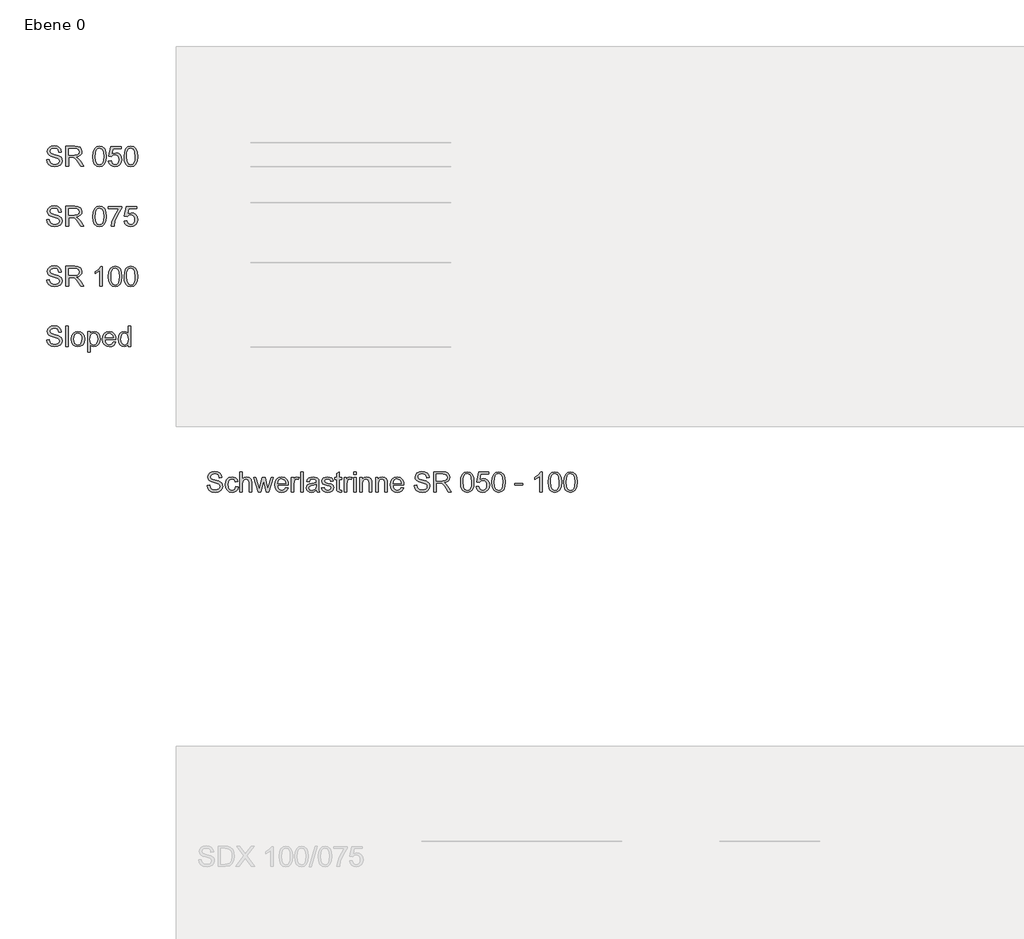
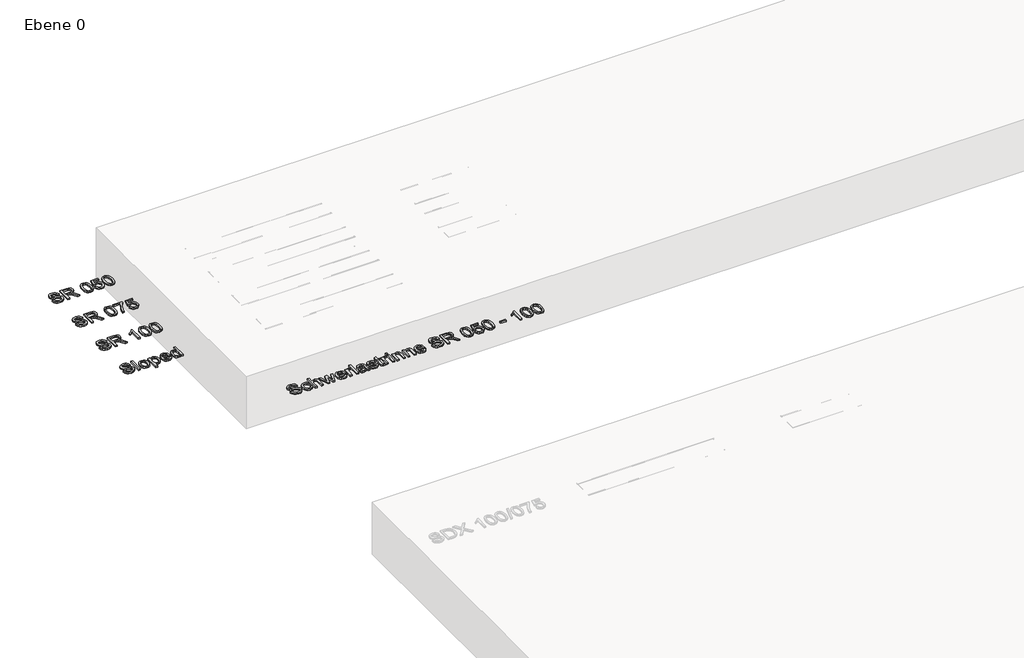
# One storey, part 4 of 8: 5 proxies.
"""IFC4 building model written with IfcOpenShell, lengths in millimetres."""

from ifc_helpers import new_model, si_unit, origin, origin_with_axes, place, context, project, spatial, polyline, outline, extrude, element, save

model = new_model("IFC4")

# Units and contexts
model_context = context("Model", 3, world=origin())
ifc_project = project(units=[si_unit("LENGTHUNIT", "METRE", prefix="MILLI")], contexts=[model_context])

# Site, building, storey
site = spatial("IfcSite", under=ifc_project)
building = spatial("IfcBuilding", under=site)
storey = spatial("IfcBuildingStorey", under=building, Name="Ebene 0", Elevation=0.0)

# Proxies
placement = place(None, origin())
element("IfcBuildingElementProxy", 1, Name="100mm ACO", ObjectType="100mm ACO", at=placement, inside=storey, context=model_context, shape_type="SweptSolid", body=[
    extrude(outline(polyline([(1664.0184353, 5993.0638776), (1661.9956859, 6002.009814), (1657.4990705, 6008.4163996), (1650.5285889, 6012.2690822), (1641.0842413, 6013.5533098), (1625.3679155, 6009.5514675), (1620.8276435, 6004.6364777), (1619.3142196, 5997.8951926), (1623.810835, 5987.7814458), (1642.102892, 5981.451259), (1662.0538945, 5975.9359928), (1675.2818021, 5966.9573141), (1679.4073377, 5959.8340349), (1680.7825162, 5950.6297978), (1678.2613556, 5938.7224982), (1670.6978738, 5929.0198498), (1659.0816172, 5922.5696078), (1644.4021323, 5920.4195271), (1626.3138054, 5922.8060802), (1613.4351495, 5929.9657398), (1605.5769866, 5940.9235114), (1602.5501387, 5954.7044008), (1615.5888683, 5955.8103645), (1618.2337222, 5944.8707831), (1624.4802341, 5937.3727859), (1633.3679619, 5933.0398822), (1643.9364634, 5931.595581), (1661.1662132, 5936.3541352), (1666.0993932, 5941.9603524), (1667.7437866, 5949.2618954), (1666.0448227, 5956.6325612), (1660.9479309, 5961.6894345), (1637.5335158, 5969.1837936), (1623.239663, 5973.5494397), (1613.5952232, 5979.457614), (1608.1054233, 5987.130237), (1606.27549, 5996.7892289), (1608.5710922, 6007.8488656), (1615.4578989, 6016.8129922), (1626.3028913, 6022.7502708), (1640.4730508, 6024.7293637), (1655.1197934, 6022.7357187), (1666.5796143, 6016.7547835), (1674.132182, 6007.1067057), (1677.0571649, 5994.1116326), (1664.0184353, 5993.0638776)])), origin_with_axes(), (0.0, 0.0, 1.0), 10.0),
    extrude(outline(polyline([(1759.0148936, 5946.8753422), (1754.9621189, 5935.0007849), (1747.7515268, 5926.7933703), (1738.3726638, 5922.0129879), (1727.8150764, 5920.4195271), (1713.4157205, 5923.0243626), (1702.6980594, 5930.838869), (1696.0404492, 5942.9535368), (1693.8212457, 5958.4588564), (1698.8853952, 5981.2766332), (1711.5603209, 5993.3112642), (1727.5531377, 5996.7892289), (1738.1652956, 5995.3667559), (1747.1257842, 5991.0993368), (1753.6997195, 5984.0742847), (1757.152218, 5974.3789124), (1744.1134884, 5972.5744454), (1738.1762098, 5983.7359471), (1727.6986592, 5987.4758506), (1718.6908762, 5985.5804326), (1712.1569592, 5979.8941786), (1708.1842213, 5970.8099968), (1706.8599753, 5958.7207952), (1708.1878593, 5946.4205874), (1712.1715114, 5937.285473), (1718.6581338, 5931.6210473), (1727.494929, 5929.7329053), (1740.1698548, 5934.3895945), (1745.9761641, 5948.3596619), (1759.0148936, 5946.8753422)])), origin_with_axes(), (0.0, 0.0, 1.0), 10.0),
    extrude(outline(polyline([(1826.0712172, 5922.2822027), (1813.0324876, 5922.2822027), (1813.0324876, 5969.2565544), (1809.3216884, 5982.9210266), (1798.2474996, 5987.4758506), (1785.2378743, 5982.106106), (1780.937713, 5974.6299371), (1779.5043258, 5962.9409197), (1779.5043258, 5922.2822027), (1766.4655962, 5922.2822027), (1766.4655962, 6022.866688), (1779.5043258, 6022.866688), (1779.5043258, 5986.8355559), (1789.2615448, 5994.3008106), (1801.1870346, 5996.7892289), (1814.5459116, 5993.9079025), (1823.495486, 5985.045641), (1826.0712172, 5968.4416338), (1826.0712172, 5922.2822027)])), origin_with_axes(), (0.0, 0.0, 1.0), 10.0),
    extrude(outline(polyline([(1934.572074, 5994.9265532), (1910.211769, 5922.2822027), (1897.8715428, 5922.2822027), (1887.3066793, 5965.9386634), (1885.9969855, 5971.8322855), (1884.7455003, 5978.2788896), (1871.9105009, 5922.2822027), (1859.599379, 5922.2822027), (1834.9189265, 5994.9265532), (1846.5315451, 5994.9265532), (1864.2560681, 5937.3582338), (1866.3806825, 5947.1663853), (1877.4694235, 5994.9265532), (1892.1379943, 5994.9265532), (1900.927495, 5956.8290152), (1905.002098, 5938.9298664), (1922.9594555, 5994.9265532), (1934.572074, 5994.9265532)])), origin_with_axes(), (0.0, 0.0, 1.0), 10.0),
    extrude(outline(polyline([(2008.6134313, 5955.8103645), (1954.5958373, 5955.8103645), (1956.6804333, 5944.6197584), (1961.4207973, 5936.426896), (1968.2421193, 5931.406403), (1976.5695892, 5929.7329053), (1988.3131771, 5933.4437045), (1995.5747017, 5944.6343106), (2008.6134313, 5943.1208866), (2004.2114048, 5933.4437045), (1997.2336472, 5926.2985971), (1987.9348211, 5921.8892946), (1976.5695892, 5920.4195271), (1961.8973804, 5922.9406877), (1950.8268295, 5930.5041695), (1943.8745382, 5942.4332973), (1941.5571077, 5958.0513961), (1943.7908633, 5973.680409), (1950.49213, 5986.0497396), (1961.2534476, 5994.1043566), (1975.6673556, 5996.7892289), (1990.9762212, 5993.3112642), (2003.4765211, 5981.4658112), (2007.3292037, 5970.8682054), (2008.6134313, 5955.8103645)]), holes=[polyline([(1995.5747017, 5965.1237428), (1993.4791916, 5975.3393546), (1988.7060852, 5982.2370753), (1975.3472083, 5987.4758506), (1967.4453889, 5985.9187702), (1961.0860978, 5981.2475289), (1954.5958373, 5965.1237428), (1995.5747017, 5965.1237428)])]), origin_with_axes(), (0.0, 0.0, 1.0), 10.0),
    extrude(outline(polyline([(2062.6310252, 5993.9370068), (2058.5564223, 5985.613175), (2049.999756, 5987.4758506), (2044.1716185, 5985.8387333), (2039.95877, 5980.9273815), (2036.5535661, 5962.591668), (2036.5535661, 5922.2822027), (2023.5148365, 5922.2822027), (2023.5148365, 5994.9265532), (2034.6908904, 5994.9265532), (2034.6908904, 5984.1579596), (2041.661372, 5993.6314116), (2050.1452775, 5996.7892289), (2062.6310252, 5993.9370068)])), origin_with_axes(), (0.0, 0.0, 1.0), 10.0),
    extrude(outline(polyline([(2083.1204574, 5922.2822027), (2070.0817279, 5922.2822027), (2070.0817279, 6022.866688), (2083.1204574, 6022.866688), (2083.1204574, 5922.2822027)])), origin_with_axes(), (0.0, 0.0, 1.0), 10.0),
    extrude(outline(polyline([(2165.0781862, 5922.2822027), (2152.0394566, 5922.2822027), (2148.3141053, 5931.0717035), (2135.7483207, 5923.0825712), (2122.2075419, 5920.4195271), (2112.1629179, 5921.8747424), (2104.497571, 5926.2403885), (2099.6407898, 5932.9925877), (2098.0218627, 5941.6074626), (2099.6080474, 5949.9640368), (2104.3666016, 5956.6980459), (2113.0469612, 5961.6203118), (2126.3985621, 5964.5416566), (2137.8074505, 5966.287915), (2148.3141053, 5968.8490941), (2147.9794058, 5976.9255393), (2146.0294172, 5981.829615), (2140.8342984, 5985.9187702), (2131.2007728, 5987.4758506), (2119.0497245, 5984.3180333), (2112.9232679, 5972.5744454), (2099.8845383, 5974.1751823), (2103.4607301, 5984.0415424), (2110.1729109, 5991.113889), (2120.0138047, 5995.3703939), (2132.9761355, 5996.7892289), (2152.3450519, 5992.9038039), (2159.941276, 5983.532217), (2161.3528349, 5969.4020759), (2161.3528349, 5952.7835166), (2161.9058167, 5932.4105016), (2165.0781862, 5922.2822027)]), holes=[polyline([(2148.3141053, 5954.8790267), (2148.3141053, 5959.5357158), (2124.8996903, 5954.1805233), (2114.5203668, 5950.0986442), (2111.0605922, 5941.8111928), (2114.7859436, 5933.1381093), (2125.5254329, 5929.7329053), (2141.4309367, 5935.4373495), (2146.5933132, 5943.1499909), (2148.3141053, 5954.8790267)])]), origin_with_axes(), (0.0, 0.0, 1.0), 10.0),
    extrude(outline(polyline([(2220.9584558, 5974.437121), (2216.141693, 5984.2161682), (2205.0092956, 5987.4758506), (2193.6295115, 5984.6818371), (2189.2929697, 5976.5617355), (2192.159744, 5969.3729716), (2205.6786946, 5965.4729944), (2223.5050827, 5961.2819742), (2232.6001787, 5954.9226831), (2235.8598611, 5943.5283469), (2233.8371117, 5934.5460301), (2227.7688637, 5927.0989655), (2218.31724, 5922.0893867), (2206.1443635, 5920.4195271), (2193.5967691, 5921.8238099), (2184.1269552, 5926.0366583), (2177.7276457, 5933.0507963), (2174.3915645, 5942.8589478), (2187.4302941, 5944.6343106), (2193.0619775, 5933.4437045), (2206.1443635, 5929.7329053), (2218.513694, 5933.589226), (2222.8211315, 5942.9753651), (2220.8856951, 5948.9854045), (2216.0543801, 5952.3760563), (2202.3899079, 5955.286487), (2189.1365341, 5958.5316172), (2181.3329417, 5963.1446499), (2176.2542401, 5975.8050235), (2178.135106, 5984.1397694), (2183.7777035, 5990.8665024), (2192.5999466, 5995.3085473), (2204.0197491, 5996.7892289), (2216.0216377, 5995.4940872), (2225.0185067, 5991.6086622), (2231.0103559, 5985.14023), (2233.9971854, 5976.0960665), (2220.9584558, 5974.437121)])), origin_with_axes(), (0.0, 0.0, 1.0), 10.0),
    extrude(outline(polyline([(2276.8387255, 5921.263552), (2267.699973, 5920.4195271), (2256.043698, 5923.3154056), (2251.5761869, 5930.6642432), (2250.7612663, 5943.062678), (2250.7612663, 5985.613175), (2241.447888, 5985.613175), (2241.447888, 5994.9265532), (2250.7612663, 5994.9265532), (2250.7612663, 6013.3786839), (2263.7999959, 6021.0040124), (2263.7999959, 5994.9265532), (2274.9760498, 5994.9265532), (2274.9760498, 5985.613175), (2263.7999959, 5985.613175), (2263.7999959, 5940.4432903), (2264.8477509, 5932.1776671), (2270.1738391, 5929.7329053), (2275.2379886, 5929.7329053), (2276.8387255, 5921.263552)])), origin_with_axes(), (0.0, 0.0, 1.0), 10.0),
    extrude(outline(polyline([(2327.1309681, 5993.9370068), (2323.0563651, 5985.613175), (2314.4996988, 5987.4758506), (2308.6715613, 5985.8387333), (2304.4587129, 5980.9273815), (2301.053509, 5962.591668), (2301.053509, 5922.2822027), (2288.0147794, 5922.2822027), (2288.0147794, 5994.9265532), (2299.1908333, 5994.9265532), (2299.1908333, 5984.1579596), (2306.1613149, 5993.6314116), (2314.6452204, 5996.7892289), (2327.1309681, 5993.9370068)])), origin_with_axes(), (0.0, 0.0, 1.0), 10.0),
    extrude(outline(polyline([(2347.6204003, 6009.8279585), (2334.5816707, 6009.8279585), (2334.5816707, 6022.866688), (2347.6204003, 6022.866688), (2347.6204003, 6009.8279585)])), origin_with_axes(), (0.0, 0.0, 1.0), 10.0),
    extrude(outline(polyline([(2347.6204003, 5922.2822027), (2334.5816707, 5922.2822027), (2334.5816707, 5994.9265532), (2347.6204003, 5994.9265532), (2347.6204003, 5922.2822027)])), origin_with_axes(), (0.0, 0.0, 1.0), 10.0),
    extrude(outline(polyline([(2425.8527778, 5922.2822027), (2412.8140482, 5922.2822027), (2412.8140482, 5967.5102959), (2408.9286232, 5983.1975175), (2398.1163731, 5987.4758506), (2388.0317307, 5984.7400457), (2381.2795315, 5977.0274044), (2379.2858864, 5962.9409197), (2379.2858864, 5922.2822027), (2366.2471569, 5922.2822027), (2366.2471569, 5994.9265532), (2377.4232108, 5994.9265532), (2377.4232108, 5984.8273587), (2387.3768838, 5993.8060374), (2400.7066565, 5996.7892289), (2412.1446491, 5994.7228231), (2420.9923585, 5988.5381578), (2425.023305, 5979.7486571), (2425.8527778, 5967.13194), (2425.8527778, 5922.2822027)])), origin_with_axes(), (0.0, 0.0, 1.0), 10.0),
    extrude(outline(polyline([(2504.0851553, 5922.2822027), (2491.0464257, 5922.2822027), (2491.0464257, 5967.5102959), (2487.1610007, 5983.1975175), (2476.3487506, 5987.4758506), (2466.2641082, 5984.7400457), (2459.5119089, 5977.0274044), (2457.5182639, 5962.9409197), (2457.5182639, 5922.2822027), (2444.4795343, 5922.2822027), (2444.4795343, 5994.9265532), (2455.6555883, 5994.9265532), (2455.6555883, 5984.8273587), (2465.6092613, 5993.8060374), (2478.9390339, 5996.7892289), (2490.3770266, 5994.7228231), (2499.224736, 5988.5381578), (2503.2556825, 5979.7486571), (2504.0851553, 5967.13194), (2504.0851553, 5922.2822027)])), origin_with_axes(), (0.0, 0.0, 1.0), 10.0),
    extrude(outline(polyline([(2586.042884, 5955.8103645), (2532.0252901, 5955.8103645), (2534.1098861, 5944.6197584), (2538.8502501, 5936.426896), (2545.6715721, 5931.406403), (2553.9990419, 5929.7329053), (2565.7426298, 5933.4437045), (2573.0041545, 5944.6343106), (2586.042884, 5943.1208866), (2581.6408576, 5933.4437045), (2574.6631, 5926.2985971), (2565.3642738, 5921.8892946), (2553.9990419, 5920.4195271), (2539.3268331, 5922.9406877), (2528.2562823, 5930.5041695), (2521.3039909, 5942.4332973), (2518.9865605, 5958.0513961), (2521.2203161, 5973.680409), (2527.9215828, 5986.0497396), (2538.6829003, 5994.1043566), (2553.0968084, 5996.7892289), (2568.4056739, 5993.3112642), (2580.9059738, 5981.4658112), (2584.7586565, 5970.8682054), (2586.042884, 5955.8103645)]), holes=[polyline([(2573.0041545, 5965.1237428), (2570.9086443, 5975.3393546), (2566.135538, 5982.2370753), (2552.776661, 5987.4758506), (2544.8748416, 5985.9187702), (2538.5155505, 5981.2475289), (2532.0252901, 5965.1237428), (2573.0041545, 5965.1237428)])]), origin_with_axes(), (0.0, 0.0, 1.0), 10.0),
    extrude(outline(polyline([(2699.6660989, 5993.0638776), (2697.6433496, 6002.009814), (2693.1467341, 6008.4163996), (2686.1762526, 6012.2690822), (2676.7319049, 6013.5533098), (2661.0155791, 6009.5514675), (2656.4753072, 6004.6364777), (2654.9618832, 5997.8951926), (2659.4584987, 5987.7814458), (2677.7505557, 5981.451259), (2697.7015582, 5975.9359928), (2710.9294658, 5966.9573141), (2715.0550013, 5959.8340349), (2716.4301798, 5950.6297978), (2713.9090192, 5938.7224982), (2706.3455374, 5929.0198498), (2694.7292808, 5922.5696078), (2680.049796, 5920.4195271), (2661.9614691, 5922.8060802), (2649.0828132, 5929.9657398), (2641.2246503, 5940.9235114), (2638.1978023, 5954.7044008), (2651.2365319, 5955.8103645), (2653.8813858, 5944.8707831), (2660.1278977, 5937.3727859), (2669.0156255, 5933.0398822), (2679.584127, 5931.595581), (2696.8138768, 5936.3541352), (2701.7470569, 5941.9603524), (2703.3914502, 5949.2618954), (2701.6924863, 5956.6325612), (2696.5955945, 5961.6894345), (2673.1811795, 5969.1837936), (2658.8873267, 5973.5494397), (2649.2428869, 5979.457614), (2643.753087, 5987.130237), (2641.9231537, 5996.7892289), (2644.2187559, 6007.8488656), (2651.1055625, 6016.8129922), (2661.950555, 6022.7502708), (2676.1207145, 6024.7293637), (2690.767457, 6022.7357187), (2702.227278, 6016.7547835), (2709.7798456, 6007.1067057), (2712.7048285, 5994.1116326), (2699.6660989, 5993.0638776)])), origin_with_axes(), (0.0, 0.0, 1.0), 10.0),
    extrude(outline(polyline([(2823.068361, 5922.2822027), (2807.9923299, 5922.2822027), (2789.1181868, 5952.3178476), (2781.3036803, 5961.5002565), (2773.5328303, 5966.0405284), (2763.8993047, 5966.9864184), (2748.0956659, 5966.9864184), (2748.0956659, 5922.2822027), (2735.0569364, 5922.2822027), (2735.0569364, 6022.866688), (2779.4410047, 6022.866688), (2794.7062138, 6021.7170679), (2805.5039117, 6016.8857529), (2812.6490191, 6007.601479), (2815.1519895, 5995.7996824), (2813.3256942, 5985.6895738), (2807.8468084, 5977.7695642), (2798.9263383, 5972.1924513), (2786.7752901, 5969.1110328), (2796.4888526, 5961.5802934), (2805.6057768, 5949.8439815), (2823.068361, 5922.2822027)]), holes=[polyline([(2748.0956659, 5978.1624723), (2777.0253472, 5978.1624723), (2790.8935495, 5979.646792), (2799.0573077, 5985.423997), (2802.1132599, 5995.0720748), (2797.0345583, 6006.844767), (2790.3078253, 6010.4791673), (2780.2850296, 6011.6906341), (2748.0956659, 6011.6906341), (2748.0956659, 5978.1624723)])]), origin_with_axes(), (0.0, 0.0, 1.0), 10.0),
    extrude(outline(polyline([(2902.6686409, 6022.866688), (2917.3499448, 6019.6615762), (2927.8365905, 6010.0462408), (2934.1285779, 5994.0206817), (2936.225907, 5971.5848989), (2934.0576361, 5948.9817664), (2927.5528235, 5933.0362442), (2916.9952361, 5923.5737063), (2902.6686409, 5920.4195271), (2888.0128033, 5923.6173628), (2877.5443478, 5933.21087), (2871.2632745, 5949.2000487), (2869.1695835, 5971.5848989), (2871.3378543, 5994.1843934), (2877.842667, 6010.1772101), (2888.3857022, 6019.6943186), (2902.6686409, 6022.866688)]), holes=[polyline([(2902.6977452, 5929.7329053), (2911.589111, 5932.1813052), (2918.0066108, 5939.5265047), (2921.8920358, 5952.4379029), (2923.1871774, 5971.5848989), (2920.9170415, 5995.945204), (2914.0629771, 6009.1876637), (2902.5522237, 6013.5533098), (2893.6790481, 6011.0612535), (2887.3161189, 6003.5850846), (2883.4852645, 5990.6009256), (2882.208313, 5971.5848989), (2884.5221054, 5947.3846676), (2891.3761698, 5934.0985514), (2902.6977452, 5929.7329053)])]), origin_with_axes(), (0.0, 0.0, 1.0), 10.0),
    extrude(outline(polyline([(2964.9809624, 5984.7691501), (2983.7532405, 5989.3385263), (2995.3040124, 5987.1011327), (3005.2758756, 5980.3889518), (3012.1626822, 5969.9514197), (3014.4582845, 5956.5379722), (3012.0753693, 5942.6188373), (3004.9266239, 5930.9552862), (2993.9142817, 5923.0534669), (2979.9405763, 5920.4195271), (2968.1315037, 5922.2385463), (2958.025033, 5927.6956038), (2950.7416802, 5936.717939), (2947.4019609, 5949.2327911), (2960.4406905, 5950.2223375), (2967.2510984, 5934.8116069), (2980.0860978, 5929.7329053), (2988.7009727, 5931.6174092), (2995.5113806, 5937.2709209), (2999.9425113, 5945.6820656), (3001.4195549, 5955.8394688), (2999.9388733, 5965.8659026), (2995.4968284, 5973.5348875), (2988.726439, 5978.4025829), (2980.2607236, 5980.025148), (2969.8632099, 5977.660423), (2962.1869489, 5970.5662482), (2949.2646366, 5972.0796722), (2959.0145795, 6021.0040124), (3010.7329332, 6021.0040124), (3010.7329332, 6011.6906341), (2970.3652592, 6011.6906341), (2964.9809624, 5984.7691501)])), origin_with_axes(), (0.0, 0.0, 1.0), 10.0),
    extrude(outline(polyline([(3059.1333959, 6022.866688), (3073.8146998, 6019.6615762), (3084.3013454, 6010.0462408), (3090.5933328, 5994.0206817), (3092.6906619, 5971.5848989), (3090.5223911, 5948.9817664), (3084.0175784, 5933.0362442), (3073.459991, 5923.5737063), (3059.1333959, 5920.4195271), (3044.4775582, 5923.6173628), (3034.0091028, 5933.21087), (3027.7280295, 5949.2000487), (3025.6343384, 5971.5848989), (3027.8026093, 5994.1843934), (3034.3074219, 6010.1772101), (3044.8504572, 6019.6943186), (3059.1333959, 6022.866688)]), holes=[polyline([(3059.1625002, 5929.7329053), (3068.053866, 5932.1813052), (3074.4713657, 5939.5265047), (3078.3567907, 5952.4379029), (3079.6519324, 5971.5848989), (3077.3817964, 5995.945204), (3070.5277321, 6009.1876637), (3059.0169786, 6013.5533098), (3050.143803, 6011.0612535), (3043.7808739, 6003.5850846), (3039.9500194, 5990.6009256), (3038.673068, 5971.5848989), (3040.9868604, 5947.3846676), (3047.8409247, 5934.0985514), (3059.1625002, 5929.7329053)])]), origin_with_axes(), (0.0, 0.0, 1.0), 10.0),
    extrude(outline(polyline([(3180.2364177, 5955.8103645), (3141.1202289, 5955.8103645), (3141.1202289, 5965.1237428), (3180.2364177, 5965.1237428), (3180.2364177, 5955.8103645)])), origin_with_axes(), (0.0, 0.0, 1.0), 10.0),
    extrude(outline(polyline([(3277.0955517, 5922.2822027), (3264.0568221, 5922.2822027), (3264.0568221, 6000.5145802), (3239.8420386, 5985.613175), (3239.8420386, 5994.9265532), (3258.2214085, 6006.7137976), (3269.6448491, 6021.0040124), (3277.0955517, 6021.0040124), (3277.0955517, 5922.2822027)])), origin_with_axes(), (0.0, 0.0, 1.0), 10.0),
    extrude(outline(polyline([(3340.3974196, 6022.866688), (3355.0787235, 6019.6615762), (3365.5653692, 6010.0462408), (3371.8573566, 5994.0206817), (3373.9546857, 5971.5848989), (3371.7864148, 5948.9817664), (3365.2816022, 5933.0362442), (3354.7240148, 5923.5737063), (3340.3974196, 5920.4195271), (3325.741582, 5923.6173628), (3315.2731265, 5933.21087), (3308.9920532, 5949.2000487), (3306.8983622, 5971.5848989), (3309.066633, 5994.1843934), (3315.5714457, 6010.1772101), (3326.1144809, 6019.6943186), (3340.3974196, 6022.866688)]), holes=[polyline([(3340.4265239, 5929.7329053), (3349.3178897, 5932.1813052), (3355.7353895, 5939.5265047), (3359.6208145, 5952.4379029), (3360.9159561, 5971.5848989), (3358.6458202, 5995.945204), (3351.7917559, 6009.1876637), (3340.2810024, 6013.5533098), (3331.4078268, 6011.0612535), (3325.0448976, 6003.5850846), (3321.2140432, 5990.6009256), (3319.9370917, 5971.5848989), (3322.2508841, 5947.3846676), (3329.1049485, 5934.0985514), (3340.4265239, 5929.7329053)])]), origin_with_axes(), (0.0, 0.0, 1.0), 10.0),
    extrude(outline(polyline([(3418.6297971, 6022.866688), (3433.311101, 6019.6615762), (3443.7977467, 6010.0462408), (3450.089734, 5994.0206817), (3452.1870632, 5971.5848989), (3450.0187923, 5948.9817664), (3443.5139797, 5933.0362442), (3432.9563923, 5923.5737063), (3418.6297971, 5920.4195271), (3403.9739595, 5923.6173628), (3393.505504, 5933.21087), (3387.2244307, 5949.2000487), (3385.1307396, 5971.5848989), (3387.2990105, 5994.1843934), (3393.8038231, 6010.1772101), (3404.3468584, 6019.6943186), (3418.6297971, 6022.866688)]), holes=[polyline([(3418.6589014, 5929.7329053), (3427.5502672, 5932.1813052), (3433.9677669, 5939.5265047), (3437.8531919, 5952.4379029), (3439.1483336, 5971.5848989), (3436.8781976, 5995.945204), (3430.0241333, 6009.1876637), (3418.5133799, 6013.5533098), (3409.6402042, 6011.0612535), (3403.2772751, 6003.5850846), (3399.4464207, 5990.6009256), (3398.1694692, 5971.5848989), (3400.4832616, 5947.3846676), (3407.3373259, 5934.0985514), (3418.6589014, 5929.7329053)])]), origin_with_axes(), (0.0, 0.0, 1.0), 10.0),
])
element("IfcBuildingElementProxy", 2, Name="100mm ACO", ObjectType="100mm ACO", at=placement, inside=storey, context=model_context, shape_type="SweptSolid", body=[
    extrude(outline(polyline([(861.9850927, 7620.9181462), (859.9623434, 7629.8640826), (855.4657279, 7636.2706682), (848.4952464, 7640.1233508), (839.0508987, 7641.4075784), (823.3345729, 7637.4057362), (818.794301, 7632.4907463), (817.280877, 7625.7494612), (821.7774925, 7615.6357145), (840.0695495, 7609.3055277), (860.020552, 7603.7902615), (873.2484596, 7594.8115827), (877.3739951, 7587.6883036), (878.7491736, 7578.4840665), (876.228013, 7566.5767668), (868.6645312, 7556.8741184), (857.0482746, 7550.4238764), (842.3687898, 7548.2737957), (824.2804629, 7550.6603489), (811.401807, 7557.8200084), (803.5436441, 7568.77778), (800.5167961, 7582.5586695), (813.5555257, 7583.6646331), (816.2003796, 7572.7250517), (822.4468915, 7565.2270546), (831.3346193, 7560.8941509), (841.9031208, 7559.4498496), (859.1328706, 7564.2084038), (864.0660507, 7569.814621), (865.710444, 7577.116164), (864.0114801, 7584.4868298), (858.9145883, 7589.5437032), (835.5001733, 7597.0380622), (821.2063205, 7601.4037083), (811.5618807, 7607.3118826), (806.0720808, 7614.9845056), (804.2421475, 7624.6434975), (806.5377497, 7635.7031342), (813.4245563, 7644.6672608), (824.2695488, 7650.6045394), (838.4397083, 7652.5836323), (853.0864508, 7650.5899873), (864.5462718, 7644.6090522), (872.0988394, 7634.9609744), (875.0238223, 7621.9659013), (861.9850927, 7620.9181462)])), origin_with_axes(), (0.0, 0.0, 1.0), 10.0),
    extrude(outline(polyline([(985.3873548, 7550.1364713), (970.3113237, 7550.1364713), (951.4371806, 7580.1721163), (943.6226741, 7589.3545252), (935.8518241, 7593.8947971), (926.2182985, 7594.840687), (910.4146597, 7594.840687), (910.4146597, 7550.1364713), (897.3759302, 7550.1364713), (897.3759302, 7650.7209567), (941.7599985, 7650.7209567), (957.0252076, 7649.5713365), (967.8229055, 7644.7400216), (974.9680129, 7635.4557476), (977.4709833, 7623.6539511), (975.644688, 7613.5438424), (970.1658022, 7605.6238328), (961.2453321, 7600.04672), (949.0942839, 7596.9653015), (958.8078464, 7589.434562), (967.9247706, 7577.6982502), (985.3873548, 7550.1364713)]), holes=[polyline([(910.4146597, 7606.016741), (939.344341, 7606.016741), (953.2125433, 7607.5010606), (961.3763015, 7613.2782656), (964.4322537, 7622.9263434), (959.3535521, 7634.6990356), (952.6268191, 7638.333436), (942.6040234, 7639.5449027), (910.4146597, 7639.5449027), (910.4146597, 7606.016741)])]), origin_with_axes(), (0.0, 0.0, 1.0), 10.0),
    extrude(outline(polyline([(1064.9876347, 7650.7209567), (1079.6689386, 7647.5158448), (1090.1555843, 7637.9005094), (1096.4475717, 7621.8749503), (1098.5449008, 7599.4391676), (1096.3766299, 7576.8360351), (1089.8718173, 7560.8905128), (1079.3142299, 7551.427975), (1064.9876347, 7548.2737957), (1050.3317971, 7551.4716314), (1039.8633416, 7561.0651387), (1033.5822683, 7577.0543174), (1031.4885773, 7599.4391676), (1033.6568481, 7622.038662), (1040.1616608, 7638.0314788), (1050.704696, 7647.5485872), (1064.9876347, 7650.7209567)]), holes=[polyline([(1065.016739, 7557.587174), (1073.9081048, 7560.0355738), (1080.3256046, 7567.3807733), (1084.2110296, 7580.2921715), (1085.5061712, 7599.4391676), (1083.2360353, 7623.7994726), (1076.3819709, 7637.0419323), (1064.8712175, 7641.4075784), (1055.9980419, 7638.9155221), (1049.6351127, 7631.4393532), (1045.8042583, 7618.4551942), (1044.5273068, 7599.4391676), (1046.8410992, 7575.2389362), (1053.6951636, 7561.95282), (1065.016739, 7557.587174)])]), origin_with_axes(), (0.0, 0.0, 1.0), 10.0),
    extrude(outline(polyline([(1127.2999562, 7612.6234187), (1146.0722343, 7617.1927949), (1157.6230062, 7614.9554013), (1167.5948694, 7608.2432205), (1174.481676, 7597.8056883), (1176.7772783, 7584.3922408), (1174.3943631, 7570.4731059), (1167.2456177, 7558.8095549), (1156.2332755, 7550.9077355), (1142.2595701, 7548.2737957), (1130.4504975, 7550.0928149), (1120.3440268, 7555.5498725), (1113.060674, 7564.5722077), (1109.7209547, 7577.0870597), (1122.7596843, 7578.0766062), (1129.5700922, 7562.6658756), (1142.4050916, 7557.587174), (1151.0199665, 7559.4716778), (1157.8303744, 7565.1251895), (1162.2615051, 7573.5363343), (1163.7385487, 7583.6937374), (1162.2578671, 7593.7201712), (1157.8158222, 7601.3891561), (1151.0454328, 7606.2568515), (1142.5797174, 7607.8794166), (1132.1822037, 7605.5146917), (1124.5059427, 7598.4205168), (1111.5836304, 7599.9339408), (1121.3335733, 7648.858281), (1173.051927, 7648.858281), (1173.051927, 7639.5449027), (1132.684253, 7639.5449027), (1127.2999562, 7612.6234187)])), origin_with_axes(), (0.0, 0.0, 1.0), 10.0),
    extrude(outline(polyline([(1221.4523897, 7650.7209567), (1236.1336936, 7647.5158448), (1246.6203392, 7637.9005094), (1252.9123266, 7621.8749503), (1255.0096557, 7599.4391676), (1252.8413849, 7576.8360351), (1246.3365722, 7560.8905128), (1235.7789848, 7551.427975), (1221.4523897, 7548.2737957), (1206.796552, 7551.4716314), (1196.3280966, 7561.0651387), (1190.0470233, 7577.0543174), (1187.9533322, 7599.4391676), (1190.1216031, 7622.038662), (1196.6264157, 7638.0314788), (1207.169451, 7647.5485872), (1221.4523897, 7650.7209567)]), holes=[polyline([(1221.481494, 7557.587174), (1230.3728598, 7560.0355738), (1236.7903595, 7567.3807733), (1240.6757845, 7580.2921715), (1241.9709262, 7599.4391676), (1239.7007902, 7623.7994726), (1232.8467259, 7637.0419323), (1221.3359724, 7641.4075784), (1212.4627968, 7638.9155221), (1206.0998677, 7631.4393532), (1202.2690132, 7618.4551942), (1200.9920618, 7599.4391676), (1203.3058542, 7575.2389362), (1210.1599185, 7561.95282), (1221.481494, 7557.587174)])]), origin_with_axes(), (0.0, 0.0, 1.0), 10.0),
])
element("IfcBuildingElementProxy", 3, Name="100mm ACO", ObjectType="100mm ACO", at=placement, inside=storey, context=model_context, shape_type="SweptSolid", body=[
    extrude(outline(polyline([(861.9850927, 7320.9181462), (859.9623434, 7329.8640826), (855.4657279, 7336.2706682), (848.4952464, 7340.1233508), (839.0508987, 7341.4075784), (823.3345729, 7337.4057362), (818.794301, 7332.4907463), (817.280877, 7325.7494612), (821.7774925, 7315.6357145), (840.0695495, 7309.3055277), (860.020552, 7303.7902615), (873.2484596, 7294.8115827), (877.3739951, 7287.6883036), (878.7491736, 7278.4840665), (876.228013, 7266.5767668), (868.6645312, 7256.8741184), (857.0482746, 7250.4238764), (842.3687898, 7248.2737957), (824.2804629, 7250.6603489), (811.401807, 7257.8200084), (803.5436441, 7268.77778), (800.5167961, 7282.5586695), (813.5555257, 7283.6646331), (816.2003796, 7272.7250517), (822.4468915, 7265.2270546), (831.3346193, 7260.8941509), (841.9031208, 7259.4498496), (859.1328706, 7264.2084038), (864.0660507, 7269.814621), (865.710444, 7277.116164), (864.0114801, 7284.4868298), (858.9145883, 7289.5437032), (835.5001733, 7297.0380622), (821.2063205, 7301.4037083), (811.5618807, 7307.3118826), (806.0720808, 7314.9845056), (804.2421475, 7324.6434975), (806.5377497, 7335.7031342), (813.4245563, 7344.6672608), (824.2695488, 7350.6045394), (838.4397083, 7352.5836323), (853.0864508, 7350.5899873), (864.5462718, 7344.6090522), (872.0988394, 7334.9609744), (875.0238223, 7321.9659013), (861.9850927, 7320.9181462)])), origin_with_axes(), (0.0, 0.0, 1.0), 10.0),
    extrude(outline(polyline([(985.3873548, 7250.1364713), (970.3113237, 7250.1364713), (951.4371806, 7280.1721163), (943.6226741, 7289.3545252), (935.8518241, 7293.8947971), (926.2182985, 7294.840687), (910.4146597, 7294.840687), (910.4146597, 7250.1364713), (897.3759302, 7250.1364713), (897.3759302, 7350.7209567), (941.7599985, 7350.7209567), (957.0252076, 7349.5713365), (967.8229055, 7344.7400216), (974.9680129, 7335.4557476), (977.4709833, 7323.6539511), (975.644688, 7313.5438424), (970.1658022, 7305.6238328), (961.2453321, 7300.04672), (949.0942839, 7296.9653015), (958.8078464, 7289.434562), (967.9247706, 7277.6982502), (985.3873548, 7250.1364713)]), holes=[polyline([(910.4146597, 7306.016741), (939.344341, 7306.016741), (953.2125433, 7307.5010606), (961.3763015, 7313.2782656), (964.4322537, 7322.9263434), (959.3535521, 7334.6990356), (952.6268191, 7338.333436), (942.6040234, 7339.5449027), (910.4146597, 7339.5449027), (910.4146597, 7306.016741)])]), origin_with_axes(), (0.0, 0.0, 1.0), 10.0),
    extrude(outline(polyline([(1064.9876347, 7350.7209567), (1079.6689386, 7347.5158448), (1090.1555843, 7337.9005094), (1096.4475717, 7321.8749503), (1098.5449008, 7299.4391676), (1096.3766299, 7276.8360351), (1089.8718173, 7260.8905128), (1079.3142299, 7251.427975), (1064.9876347, 7248.2737957), (1050.3317971, 7251.4716314), (1039.8633416, 7261.0651387), (1033.5822683, 7277.0543174), (1031.4885773, 7299.4391676), (1033.6568481, 7322.038662), (1040.1616608, 7338.0314788), (1050.704696, 7347.5485872), (1064.9876347, 7350.7209567)]), holes=[polyline([(1065.016739, 7257.587174), (1073.9081048, 7260.0355738), (1080.3256046, 7267.3807733), (1084.2110296, 7280.2921715), (1085.5061712, 7299.4391676), (1083.2360353, 7323.7994726), (1076.3819709, 7337.0419323), (1064.8712175, 7341.4075784), (1055.9980419, 7338.9155221), (1049.6351127, 7331.4393532), (1045.8042583, 7318.4551942), (1044.5273068, 7299.4391676), (1046.8410992, 7275.2389362), (1053.6951636, 7261.95282), (1065.016739, 7257.587174)])]), origin_with_axes(), (0.0, 0.0, 1.0), 10.0),
    extrude(outline(polyline([(1176.7772783, 7341.4075784), (1162.6653274, 7321.7439809), (1150.597954, 7299.3081982), (1141.8411956, 7275.1043288), (1137.6610895, 7250.1364713), (1124.62236, 7250.1364713), (1127.5437048, 7271.4917567), (1135.3181928, 7294.7533741), (1160.5079706, 7339.5449027), (1109.7209547, 7339.5449027), (1109.7209547, 7348.858281), (1176.7772783, 7348.858281), (1176.7772783, 7341.4075784)])), origin_with_axes(), (0.0, 0.0, 1.0), 10.0),
    extrude(outline(polyline([(1205.5323337, 7312.6234187), (1224.3046118, 7317.1927949), (1235.8553836, 7314.9554013), (1245.8272469, 7308.2432205), (1252.7140535, 7297.8056883), (1255.0096557, 7284.3922408), (1252.6267406, 7270.4731059), (1245.4779952, 7258.8095549), (1234.465653, 7250.9077355), (1220.4919475, 7248.2737957), (1208.6828749, 7250.0928149), (1198.5764043, 7255.5498725), (1191.2930514, 7264.5722077), (1187.9533322, 7277.0870597), (1200.9920618, 7278.0766062), (1207.8024696, 7262.6658756), (1220.6374691, 7257.587174), (1229.252344, 7259.4716778), (1236.0627518, 7265.1251895), (1240.4938826, 7273.5363343), (1241.9709262, 7283.6937374), (1240.4902445, 7293.7201712), (1236.0481997, 7301.3891561), (1229.2778102, 7306.2568515), (1220.8120949, 7307.8794166), (1210.4145812, 7305.5146917), (1202.7383202, 7298.4205168), (1189.8160078, 7299.9339408), (1199.5659507, 7348.858281), (1251.2843044, 7348.858281), (1251.2843044, 7339.5449027), (1210.9166305, 7339.5449027), (1205.5323337, 7312.6234187)])), origin_with_axes(), (0.0, 0.0, 1.0), 10.0),
])
element("IfcBuildingElementProxy", 4, Name="100mm ACO", ObjectType="100mm ACO", at=placement, inside=storey, context=model_context, shape_type="SweptSolid", body=[
    extrude(outline(polyline([(861.9850927, 7020.9181462), (859.9623434, 7029.8640826), (855.4657279, 7036.2706682), (848.4952464, 7040.1233508), (839.0508987, 7041.4075784), (823.3345729, 7037.4057362), (818.794301, 7032.4907463), (817.280877, 7025.7494612), (821.7774925, 7015.6357145), (840.0695495, 7009.3055277), (860.020552, 7003.7902615), (873.2484596, 6994.8115827), (877.3739951, 6987.6883036), (878.7491736, 6978.4840665), (876.228013, 6966.5767668), (868.6645312, 6956.8741184), (857.0482746, 6950.4238764), (842.3687898, 6948.2737957), (824.2804629, 6950.6603489), (811.401807, 6957.8200084), (803.5436441, 6968.77778), (800.5167961, 6982.5586695), (813.5555257, 6983.6646331), (816.2003796, 6972.7250517), (822.4468915, 6965.2270546), (831.3346193, 6960.8941509), (841.9031208, 6959.4498496), (859.1328706, 6964.2084038), (864.0660507, 6969.814621), (865.710444, 6977.116164), (864.0114801, 6984.4868298), (858.9145883, 6989.5437032), (835.5001733, 6997.0380622), (821.2063205, 7001.4037083), (811.5618807, 7007.3118826), (806.0720808, 7014.9845056), (804.2421475, 7024.6434975), (806.5377497, 7035.7031342), (813.4245563, 7044.6672608), (824.2695488, 7050.6045394), (838.4397083, 7052.5836323), (853.0864508, 7050.5899873), (864.5462718, 7044.6090522), (872.0988394, 7034.9609744), (875.0238223, 7021.9659013), (861.9850927, 7020.9181462)])), origin_with_axes(), (0.0, 0.0, 1.0), 10.0),
    extrude(outline(polyline([(985.3873548, 6950.1364713), (970.3113237, 6950.1364713), (951.4371806, 6980.1721163), (943.6226741, 6989.3545252), (935.8518241, 6993.8947971), (926.2182985, 6994.840687), (910.4146597, 6994.840687), (910.4146597, 6950.1364713), (897.3759302, 6950.1364713), (897.3759302, 7050.7209567), (941.7599985, 7050.7209567), (957.0252076, 7049.5713365), (967.8229055, 7044.7400216), (974.9680129, 7035.4557476), (977.4709833, 7023.6539511), (975.644688, 7013.5438424), (970.1658022, 7005.6238328), (961.2453321, 7000.04672), (949.0942839, 6996.9653015), (958.8078464, 6989.434562), (967.9247706, 6977.6982502), (985.3873548, 6950.1364713)]), holes=[polyline([(910.4146597, 7006.016741), (939.344341, 7006.016741), (953.2125433, 7007.5010606), (961.3763015, 7013.2782656), (964.4322537, 7022.9263434), (959.3535521, 7034.6990356), (952.6268191, 7038.333436), (942.6040234, 7039.5449027), (910.4146597, 7039.5449027), (910.4146597, 7006.016741)])]), origin_with_axes(), (0.0, 0.0, 1.0), 10.0),
    extrude(outline(polyline([(1079.9181443, 6950.1364713), (1066.8794147, 6950.1364713), (1066.8794147, 7028.3688488), (1042.6646312, 7013.4674436), (1042.6646312, 7022.7808219), (1061.0440011, 7034.5680662), (1072.4674416, 7048.858281), (1079.9181443, 7048.858281), (1079.9181443, 6950.1364713)])), origin_with_axes(), (0.0, 0.0, 1.0), 10.0),
    extrude(outline(polyline([(1143.2200122, 7050.7209567), (1157.9013161, 7047.5158448), (1168.3879617, 7037.9005094), (1174.6799491, 7021.8749503), (1176.7772783, 6999.4391676), (1174.6090074, 6976.8360351), (1168.1041948, 6960.8905128), (1157.5466074, 6951.427975), (1143.2200122, 6948.2737957), (1128.5641745, 6951.4716314), (1118.0957191, 6961.0651387), (1111.8146458, 6977.0543174), (1109.7209547, 6999.4391676), (1111.8892256, 7022.038662), (1118.3940382, 7038.0314788), (1128.9370735, 7047.5485872), (1143.2200122, 7050.7209567)]), holes=[polyline([(1143.2491165, 6957.587174), (1152.1404823, 6960.0355738), (1158.557982, 6967.3807733), (1162.443407, 6980.2921715), (1163.7385487, 6999.4391676), (1161.4684127, 7023.7994726), (1154.6143484, 7037.0419323), (1143.103595, 7041.4075784), (1134.2304193, 7038.9155221), (1127.8674902, 7031.4393532), (1124.0366358, 7018.4551942), (1122.7596843, 6999.4391676), (1125.0734767, 6975.2389362), (1131.927541, 6961.95282), (1143.2491165, 6957.587174)])]), origin_with_axes(), (0.0, 0.0, 1.0), 10.0),
    extrude(outline(polyline([(1221.4523897, 7050.7209567), (1236.1336936, 7047.5158448), (1246.6203392, 7037.9005094), (1252.9123266, 7021.8749503), (1255.0096557, 6999.4391676), (1252.8413849, 6976.8360351), (1246.3365722, 6960.8905128), (1235.7789848, 6951.427975), (1221.4523897, 6948.2737957), (1206.796552, 6951.4716314), (1196.3280966, 6961.0651387), (1190.0470233, 6977.0543174), (1187.9533322, 6999.4391676), (1190.1216031, 7022.038662), (1196.6264157, 7038.0314788), (1207.169451, 7047.5485872), (1221.4523897, 7050.7209567)]), holes=[polyline([(1221.481494, 6957.587174), (1230.3728598, 6960.0355738), (1236.7903595, 6967.3807733), (1240.6757845, 6980.2921715), (1241.9709262, 6999.4391676), (1239.7007902, 7023.7994726), (1232.8467259, 7037.0419323), (1221.3359724, 7041.4075784), (1212.4627968, 7038.9155221), (1206.0998677, 7031.4393532), (1202.2690132, 7018.4551942), (1200.9920618, 6999.4391676), (1203.3058542, 6975.2389362), (1210.1599185, 6961.95282), (1221.481494, 6957.587174)])]), origin_with_axes(), (0.0, 0.0, 1.0), 10.0),
])
element("IfcBuildingElementProxy", 5, Name="100mm ACO", ObjectType="100mm ACO", at=placement, inside=storey, context=model_context, shape_type="SweptSolid", body=[
    extrude(outline(polyline([(861.9850927, 6720.9181462), (859.9623434, 6729.8640826), (855.4657279, 6736.2706682), (848.4952464, 6740.1233508), (839.0508987, 6741.4075784), (823.3345729, 6737.4057362), (818.794301, 6732.4907463), (817.280877, 6725.7494612), (821.7774925, 6715.6357145), (840.0695495, 6709.3055277), (860.020552, 6703.7902615), (873.2484596, 6694.8115827), (877.3739951, 6687.6883036), (878.7491736, 6678.4840665), (876.228013, 6666.5767668), (868.6645312, 6656.8741184), (857.0482746, 6650.4238764), (842.3687898, 6648.2737957), (824.2804629, 6650.6603489), (811.401807, 6657.8200084), (803.5436441, 6668.77778), (800.5167961, 6682.5586695), (813.5555257, 6683.6646331), (816.2003796, 6672.7250517), (822.4468915, 6665.2270546), (831.3346193, 6660.8941509), (841.9031208, 6659.4498496), (859.1328706, 6664.2084038), (864.0660507, 6669.814621), (865.710444, 6677.116164), (864.0114801, 6684.4868298), (858.9145883, 6689.5437032), (835.5001733, 6697.0380622), (821.2063205, 6701.4037083), (811.5618807, 6707.3118826), (806.0720808, 6714.9845056), (804.2421475, 6724.6434975), (806.5377497, 6735.7031342), (813.4245563, 6744.6672608), (824.2695488, 6750.6045394), (838.4397083, 6752.5836323), (853.0864508, 6750.5899873), (864.5462718, 6744.6090522), (872.0988394, 6734.9609744), (875.0238223, 6721.9659013), (861.9850927, 6720.9181462)])), origin_with_axes(), (0.0, 0.0, 1.0), 10.0),
    extrude(outline(polyline([(908.5519841, 6650.1364713), (895.5132545, 6650.1364713), (895.5132545, 6750.7209567), (908.5519841, 6750.7209567), (908.5519841, 6650.1364713)])), origin_with_axes(), (0.0, 0.0, 1.0), 10.0),
    extrude(outline(polyline([(956.9524468, 6724.6434975), (970.2058206, 6722.2351161), (980.9780523, 6715.0099719), (988.1267977, 6703.3464208), (990.5097129, 6687.6228189), (987.9303436, 6669.243449), (980.192236, 6657.1797137), (969.2235503, 6650.5002752), (956.9524468, 6648.2737957), (944.2884352, 6650.5621218), (933.4216145, 6657.4271003), (925.9454456, 6669.2616391), (923.4533893, 6686.4586466), (925.8617707, 6703.27366), (933.086915, 6715.1845977), (943.8700607, 6722.2787726), (956.9524468, 6724.6434975)]), holes=[polyline([(956.9524468, 6657.587174), (965.8110703, 6659.6062853), (972.2467602, 6665.6636192), (977.4709833, 6686.9243155), (975.9939397, 6699.2790939), (971.5628089, 6708.1704597), (964.9561312, 6713.5402044), (956.9524468, 6715.3301192), (948.7923267, 6713.5147381), (942.2402195, 6708.0685946), (937.9291441, 6699.0280692), (936.4921189, 6686.4295423), (937.9546103, 6673.8746718), (942.3420846, 6664.8486986), (948.919658, 6659.4025551), (956.9524468, 6657.587174)])]), origin_with_axes(), (0.0, 0.0, 1.0), 10.0),
    extrude(outline(polyline([(1018.5808171, 6714.0204254), (1027.0865508, 6721.9877295), (1038.8228626, 6724.6434975), (1051.2212975, 6722.038662), (1060.7093016, 6714.2241556), (1066.7338931, 6702.225905), (1068.7420903, 6687.0698371), (1066.4719544, 6671.0879344), (1059.6615465, 6658.7658984), (1049.5477998, 6650.8968214), (1037.3676473, 6648.2737957), (1026.9337532, 6650.4129623), (1018.7990994, 6656.830462), (1018.4498477, 6622.1963365), (1005.4111181, 6622.1963365), (1005.4111181, 6722.7808219), (1018.4498477, 6722.7808219), (1018.5808171, 6714.0204254)]), holes=[polyline([(1035.9415362, 6657.587174), (1043.7596807, 6659.4243833), (1050.1007816, 6664.9360115), (1054.302716, 6674.085678), (1055.7033608, 6686.8370026), (1054.3536485, 6698.9844128), (1050.3045118, 6707.9521774), (1044.1525889, 6713.4856338), (1036.4945181, 6715.3301192), (1028.5672324, 6713.2746276), (1022.1897511, 6707.1081525), (1017.9878168, 6697.6674429), (1016.587172, 6685.7892475), (1017.9296082, 6673.605457), (1021.9569167, 6664.7613857), (1028.1379439, 6659.3807269), (1035.9415362, 6657.587174)])]), origin_with_axes(), (0.0, 0.0, 1.0), 10.0),
    extrude(outline(polyline([(1146.9744678, 6683.6646331), (1092.9568738, 6683.6646331), (1095.0414698, 6672.474027), (1099.7818339, 6664.2811646), (1106.6031558, 6659.2606716), (1114.9306257, 6657.587174), (1126.6742136, 6661.2979731), (1133.9357382, 6672.4885792), (1146.9744678, 6670.9751552), (1142.5724414, 6661.2979731), (1135.5946837, 6654.1528657), (1126.2958576, 6649.7435632), (1114.9306257, 6648.2737957), (1100.2584169, 6650.7949563), (1089.1878661, 6658.3584381), (1082.2355747, 6670.287566), (1079.9181443, 6685.9056648), (1082.1518998, 6701.5346777), (1088.8531665, 6713.9040082), (1099.6144841, 6721.9586252), (1114.0283922, 6724.6434975), (1129.3372577, 6721.1655328), (1141.8375576, 6709.3200798), (1145.6902403, 6698.722474), (1146.9744678, 6683.6646331)]), holes=[polyline([(1133.9357382, 6692.9780114), (1131.8402281, 6703.1936232), (1127.0671218, 6710.091344), (1113.7082448, 6715.3301192), (1105.8064254, 6713.7730388), (1099.4471343, 6709.1017975), (1092.9568738, 6692.9780114), (1133.9357382, 6692.9780114)])]), origin_with_axes(), (0.0, 0.0, 1.0), 10.0),
    extrude(outline(polyline([(1221.481494, 6650.1364713), (1208.4427644, 6650.1364713), (1208.4427644, 6658.3438859), (1200.0388957, 6650.7913183), (1188.5936269, 6648.2737957), (1176.657223, 6650.9295637), (1166.8672617, 6658.8968678), (1160.3297067, 6671.0988485), (1158.1505217, 6686.4586466), (1160.2387558, 6702.2913897), (1166.5034579, 6714.3987814), (1176.1951921, 6722.0823185), (1188.5645226, 6724.6434975), (1199.9152024, 6722.3442573), (1208.1808256, 6715.4465365), (1208.4427644, 6750.7209567), (1221.481494, 6750.7209567), (1221.481494, 6650.1364713)]), holes=[polyline([(1190.1070509, 6657.587174), (1197.2012258, 6659.3043281), (1203.1166762, 6664.4557904), (1207.1112423, 6673.0997696), (1208.4427644, 6685.2944743), (1203.5677929, 6707.1809133), (1197.6341523, 6713.2928177), (1189.5831734, 6715.3301192), (1181.5904031, 6713.3364742), (1175.8313883, 6707.3555391), (1171.1892513, 6686.4295423), (1173.6922217, 6670.5822471), (1180.6772554, 6660.8468564), (1190.1070509, 6657.587174)])]), origin_with_axes(), (0.0, 0.0, 1.0), 10.0),
])

save(model, "model.ifc")
